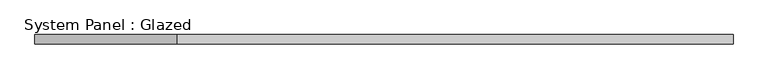
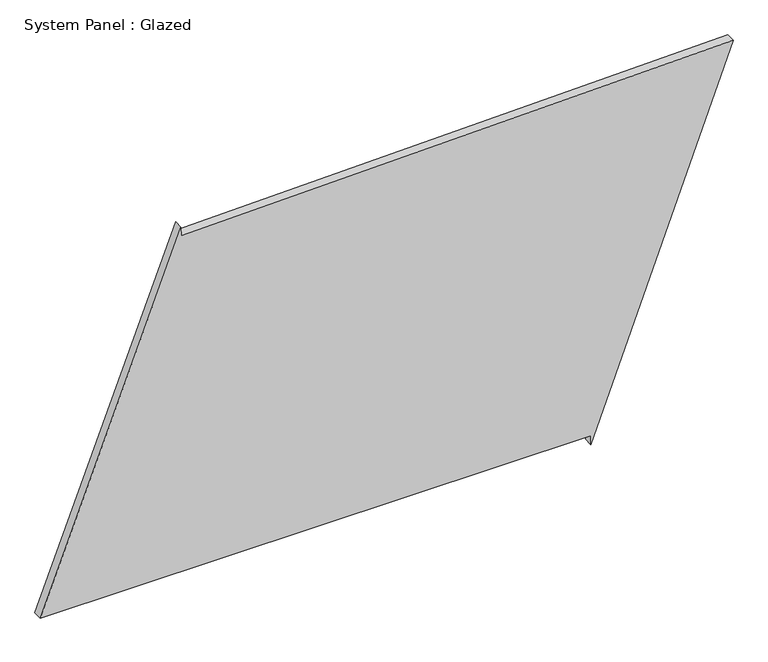
"""IFC4 building model written with IfcOpenShell, lengths in millimetres: plate geometry, System Panel : Glazed."""

from ifc_helpers import new_model, si_unit, frame, origin, place, context, project, spatial, polyline, outline, extrude, source, transform, mapped, element, save


def system_panel_glazed_90c10943(model_context):
    return source(origin(), model_context, "Body", "SweptSolid", [
        extrude(outline(polyline([(25.0, 550.1395169), (0.0, 550.1395169), (1017.6951015, 933.0792465), (981.2625247, -553.4751568), (1006.25502, -554.0876746), (25.0, -933.0792465), (25.0, 550.1395169)])), frame((0.0, -49.5, 0.0), z_axis=(0.0, 1.0, 0.0), x_axis=(0.0, 0.0, 1.0)), (0.0, 0.0, 1.0), 25.0),
    ])


if __name__ == "__main__":
    model = new_model("IFC4")
    model_context = context("Model", 3, world=origin())
    ifc_project = project(units=[si_unit("LENGTHUNIT", "METRE", prefix="MILLI")], contexts=[model_context])
    site = spatial("IfcSite", under=ifc_project)
    building = spatial("IfcBuilding", under=site)
    placement = place(None, origin())
    system_panel_glazed_shape = system_panel_glazed_90c10943(model_context)
    element("IfcPlate", 1, ObjectType="System Panel : Glazed", at=placement, inside=building, context=model_context, shape_type="MappedRepresentation", body=[
        mapped(system_panel_glazed_shape, transform((0.0, 0.0, 0.0), x_axis=(1.0, 0.0, 0.0), y_axis=(0.0, 1.0, 0.0), z_axis=(0.0, 0.0, 1.0))),
    ])
    save(model, "model.ifc")
